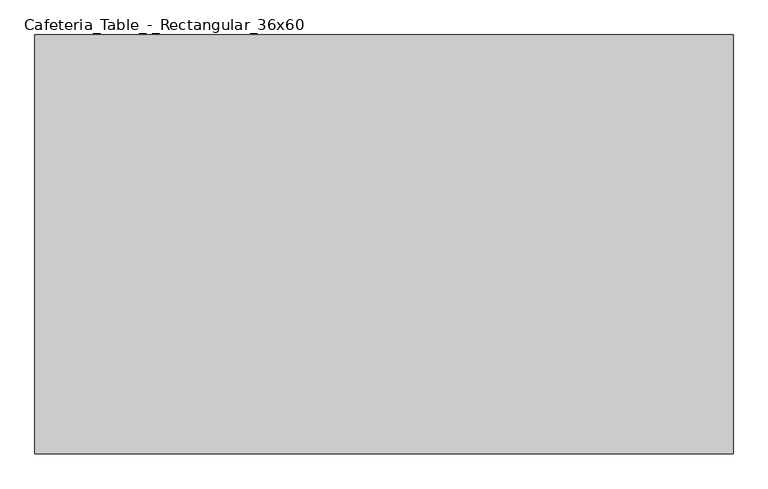
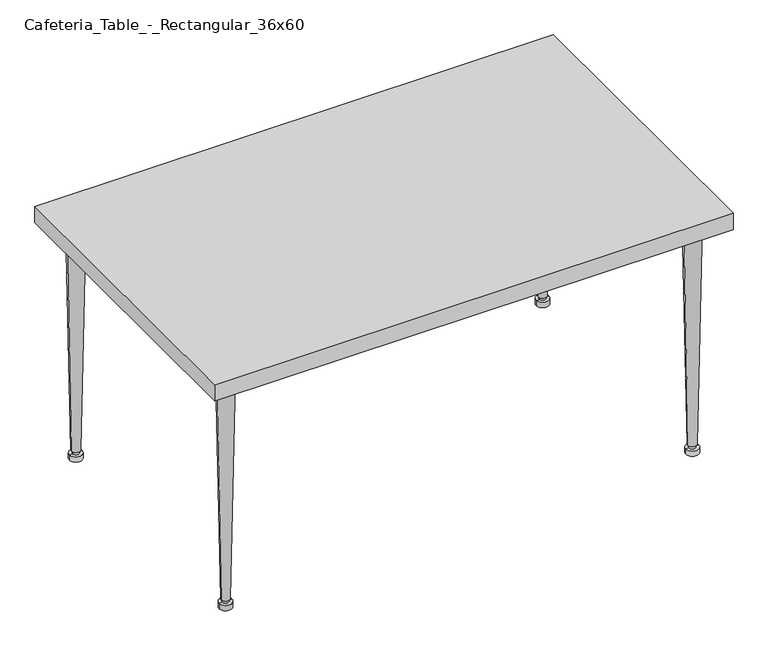
"""IFC4 building model written with IfcOpenShell, lengths in millimetres: furniture geometry, Cafeteria_Table_-_Rectangular_36x60."""

from ifc_helpers import new_model, si_unit, frame, origin, place, context, project, spatial, polyline, circle_curve, outline, extrude, source, transform, mapped, element, save
from ifc_brep_helpers import plane_surface, cylinder_surface, revolved_surface, advanced_brep


def cafeteria_table_rectangular_36x60_26ef1dd1(model_context):
    return source(origin(), model_context, "Body", "SolidModel", [
        advanced_brep(
        [(600.05468, -380.97968, 15.875), (619.10468, -380.97968, 15.875), (619.10468, -380.97968, 25.4), (600.05468, -380.97968, 25.4), (590.52968, -380.97968, 15.875), (628.62968, -380.97968, 15.875), (590.52968, -380.97968, 0.0), (628.62968, -380.97968, 0.0), (609.57968, -380.97968, 0.0), (609.57968, -380.97968, 25.4)],
        [
            (0, 1, circle_curve(frame((609.57968, -380.97968, 15.875), z_axis=(0.0, 0.0, 1.0), x_axis=(1.0, 0.0, 0.0)), 9.525)),
            (1, 2),
            (2, 3, circle_curve(frame((609.57968, -380.97968, 25.4), z_axis=(0.0, 0.0, -1.0), x_axis=(1.0, 0.0, 0.0)), 9.525)),
            (3, 0),
            (1, 0, circle_curve(frame((609.57968, -380.97968, 15.875), z_axis=(0.0, 0.0, 1.0), x_axis=(1.0, 0.0, 0.0)), 9.525)),
            (3, 2, circle_curve(frame((609.57968, -380.97968, 25.4), z_axis=(0.0, 0.0, -1.0), x_axis=(1.0, 0.0, 0.0)), 9.525)),
            (4, 5, circle_curve(frame((609.57968, -380.97968, 15.875), z_axis=(0.0, 0.0, 1.0), x_axis=(1.0, 0.0, 0.0)), 19.05)),
            (5, 1),
            (0, 4),
            (5, 4, circle_curve(frame((609.57968, -380.97968, 15.875), z_axis=(0.0, 0.0, 1.0), x_axis=(1.0, 0.0, 0.0)), 19.05)),
            (6, 7, circle_curve(frame((609.57968, -380.97968, 0.0), z_axis=(0.0, 0.0, 1.0), x_axis=(1.0, 0.0, 0.0)), 19.05)),
            (7, 5),
            (4, 6),
            (7, 6, circle_curve(frame((609.57968, -380.97968, 0.0), z_axis=(0.0, 0.0, 1.0), x_axis=(1.0, 0.0, 0.0)), 19.05)),
            (8, 7),
            (6, 8),
            (2, 9),
            (9, 3),
        ],
        [
            cylinder_surface(frame((609.57968, -380.97968, 25.4), z_axis=(0.0, 0.0, -1.0), x_axis=(1.0, 0.0, 0.0)), 9.525),
            plane_surface(frame((609.57968, -380.97968, 15.875), z_axis=(0.0, 0.0, 1.0), x_axis=(1.0, 0.0, 0.0))),
            cylinder_surface(frame((609.57968, -380.97968, 25.4), z_axis=(0.0, 0.0, -1.0), x_axis=(1.0, 0.0, 0.0)), 19.05),
            plane_surface(frame((609.57968, -380.97968, 0.0), z_axis=(0.0, 0.0, -1.0), x_axis=(1.0, 0.0, 0.0))),
            plane_surface(frame((609.57968, -380.97968, 25.4), z_axis=(0.0, 0.0, 1.0), x_axis=(1.0, 0.0, 0.0))),
        ],
        [
            (0, [[1, 2, 3, 4]]),
            (0, [[5, -4, 6, -2]]),
            (1, [[7, 8, -1, 9]]),
            (1, [[10, -9, -5, -8]]),
            (2, [[11, 12, -7, 13]]),
            (2, [[14, -13, -10, -12]]),
            (3, [[15, -11, 16]]),
            (3, [[-16, -14, -15]]),
            (4, [[-3, 17, 18]]),
            (4, [[-6, -18, -17]]),
        ],
    ),
        advanced_brep(
        [(-762.02032, -380.97968, 25.4), (-771.54532, -380.97968, 25.4), (-752.49532, -380.97968, 25.4), (-742.97032, -380.97968, 0.0), (-781.07032, -380.97968, 0.0), (-762.02032, -380.97968, 0.0), (-742.97032, -380.97968, 15.875), (-781.07032, -380.97968, 15.875), (-752.49532, -380.97968, 15.875), (-771.54532, -380.97968, 15.875)],
        [
            (0, 1),
            (1, 2, circle_curve(frame((-762.02032, -380.97968, 25.4), z_axis=(0.0, 0.0, 1.0), x_axis=(-1.0, 0.0, 0.0)), 9.525)),
            (2, 0),
            (2, 1, circle_curve(frame((-762.02032, -380.97968, 25.4), z_axis=(0.0, 0.0, 1.0), x_axis=(-1.0, 0.0, 0.0)), 9.525)),
            (3, 4, circle_curve(frame((-762.02032, -380.97968, 0.0), z_axis=(0.0, 0.0, -1.0), x_axis=(-1.0, 0.0, 0.0)), 19.05)),
            (4, 5),
            (5, 3),
            (4, 3, circle_curve(frame((-762.02032, -380.97968, 0.0), z_axis=(0.0, 0.0, -1.0), x_axis=(-1.0, 0.0, 0.0)), 19.05)),
            (6, 7, circle_curve(frame((-762.02032, -380.97968, 15.875), z_axis=(0.0, 0.0, -1.0), x_axis=(-1.0, 0.0, 0.0)), 19.05)),
            (7, 4),
            (3, 6),
            (7, 6, circle_curve(frame((-762.02032, -380.97968, 15.875), z_axis=(0.0, 0.0, -1.0), x_axis=(-1.0, 0.0, 0.0)), 19.05)),
            (8, 9, circle_curve(frame((-762.02032, -380.97968, 15.875), z_axis=(0.0, 0.0, -1.0), x_axis=(-1.0, 0.0, 0.0)), 9.525)),
            (9, 7),
            (6, 8),
            (9, 8, circle_curve(frame((-762.02032, -380.97968, 15.875), z_axis=(0.0, 0.0, -1.0), x_axis=(-1.0, 0.0, 0.0)), 9.525)),
            (1, 9),
            (8, 2),
        ],
        [
            plane_surface(frame((-762.02032, -380.97968, 25.4), z_axis=(0.0, 0.0, 1.0), x_axis=(-1.0, 0.0, 0.0))),
            plane_surface(frame((-762.02032, -380.97968, 0.0), z_axis=(0.0, 0.0, -1.0), x_axis=(-1.0, 0.0, 0.0))),
            cylinder_surface(frame((-762.02032, -380.97968, 25.4), z_axis=(0.0, 0.0, 1.0), x_axis=(-1.0, 0.0, 0.0)), 19.05),
            plane_surface(frame((-762.02032, -380.97968, 15.875), z_axis=(0.0, 0.0, 1.0), x_axis=(-1.0, 0.0, 0.0))),
            cylinder_surface(frame((-762.02032, -380.97968, 25.4), z_axis=(0.0, 0.0, 1.0), x_axis=(-1.0, 0.0, 0.0)), 9.525),
        ],
        [
            (0, [[1, 2, 3]]),
            (0, [[-3, 4, -1]]),
            (1, [[5, 6, 7]]),
            (1, [[8, -7, -6]]),
            (2, [[9, 10, -5, 11]]),
            (2, [[12, -11, -8, -10]]),
            (3, [[13, 14, -9, 15]]),
            (3, [[16, -15, -12, -14]]),
            (4, [[-2, 17, -13, 18]]),
            (4, [[-4, -18, -16, -17]]),
        ],
    ),
        advanced_brep(
        [(609.57968, 381.02032, 25.4), (619.10468, 381.02032, 25.4), (600.05468, 381.02032, 25.4), (590.52968, 381.02032, 0.0), (628.62968, 381.02032, 0.0), (609.57968, 381.02032, 0.0), (590.52968, 381.02032, 15.875), (628.62968, 381.02032, 15.875), (600.05468, 381.02032, 15.875), (619.10468, 381.02032, 15.875)],
        [
            (0, 1),
            (1, 2, circle_curve(frame((609.57968, 381.02032, 25.4), z_axis=(0.0, 0.0, 1.0), x_axis=(1.0, 0.0, 0.0)), 9.525)),
            (2, 0),
            (2, 1, circle_curve(frame((609.57968, 381.02032, 25.4), z_axis=(0.0, 0.0, 1.0), x_axis=(1.0, 0.0, 0.0)), 9.525)),
            (3, 4, circle_curve(frame((609.57968, 381.02032, 0.0), z_axis=(0.0, 0.0, -1.0), x_axis=(1.0, 0.0, 0.0)), 19.05)),
            (4, 5),
            (5, 3),
            (4, 3, circle_curve(frame((609.57968, 381.02032, 0.0), z_axis=(0.0, 0.0, -1.0), x_axis=(1.0, 0.0, 0.0)), 19.05)),
            (6, 7, circle_curve(frame((609.57968, 381.02032, 15.875), z_axis=(0.0, 0.0, -1.0), x_axis=(1.0, 0.0, 0.0)), 19.05)),
            (7, 4),
            (3, 6),
            (7, 6, circle_curve(frame((609.57968, 381.02032, 15.875), z_axis=(0.0, 0.0, -1.0), x_axis=(1.0, 0.0, 0.0)), 19.05)),
            (8, 9, circle_curve(frame((609.57968, 381.02032, 15.875), z_axis=(0.0, 0.0, -1.0), x_axis=(1.0, 0.0, 0.0)), 9.525)),
            (9, 7),
            (6, 8),
            (9, 8, circle_curve(frame((609.57968, 381.02032, 15.875), z_axis=(0.0, 0.0, -1.0), x_axis=(1.0, 0.0, 0.0)), 9.525)),
            (1, 9),
            (8, 2),
        ],
        [
            plane_surface(frame((609.57968, 381.02032, 25.4), z_axis=(0.0, 0.0, 1.0), x_axis=(1.0, 0.0, 0.0))),
            plane_surface(frame((609.57968, 381.02032, 0.0), z_axis=(0.0, 0.0, -1.0), x_axis=(1.0, 0.0, 0.0))),
            cylinder_surface(frame((609.57968, 381.02032, 25.4), z_axis=(0.0, 0.0, 1.0), x_axis=(1.0, 0.0, 0.0)), 19.05),
            plane_surface(frame((609.57968, 381.02032, 15.875), z_axis=(0.0, 0.0, 1.0), x_axis=(1.0, 0.0, 0.0))),
            cylinder_surface(frame((609.57968, 381.02032, 25.4), z_axis=(0.0, 0.0, 1.0), x_axis=(1.0, 0.0, 0.0)), 9.525),
        ],
        [
            (0, [[1, 2, 3]]),
            (0, [[-3, 4, -1]]),
            (1, [[5, 6, 7]]),
            (1, [[8, -7, -6]]),
            (2, [[9, 10, -5, 11]]),
            (2, [[12, -11, -8, -10]]),
            (3, [[13, 14, -9, 15]]),
            (3, [[16, -15, -12, -14]]),
            (4, [[-2, 17, -13, 18]]),
            (4, [[-4, -18, -16, -17]]),
        ],
    ),
        advanced_brep(
        [(-752.49532, 381.02032, 15.875), (-771.54532, 381.02032, 15.875), (-771.54532, 381.02032, 25.4), (-752.49532, 381.02032, 25.4), (-742.97032, 381.02032, 15.875), (-781.07032, 381.02032, 15.875), (-742.97032, 381.02032, 0.0), (-781.07032, 381.02032, 0.0), (-762.02032, 381.02032, 0.0), (-762.02032, 381.02032, 25.4)],
        [
            (0, 1, circle_curve(frame((-762.02032, 381.02032, 15.875), z_axis=(0.0, 0.0, 1.0), x_axis=(-1.0, 0.0, 0.0)), 9.525)),
            (1, 2),
            (2, 3, circle_curve(frame((-762.02032, 381.02032, 25.4), z_axis=(0.0, 0.0, -1.0), x_axis=(-1.0, 0.0, 0.0)), 9.525)),
            (3, 0),
            (1, 0, circle_curve(frame((-762.02032, 381.02032, 15.875), z_axis=(0.0, 0.0, 1.0), x_axis=(-1.0, 0.0, 0.0)), 9.525)),
            (3, 2, circle_curve(frame((-762.02032, 381.02032, 25.4), z_axis=(0.0, 0.0, -1.0), x_axis=(-1.0, 0.0, 0.0)), 9.525)),
            (4, 5, circle_curve(frame((-762.02032, 381.02032, 15.875), z_axis=(0.0, 0.0, 1.0), x_axis=(-1.0, 0.0, 0.0)), 19.05)),
            (5, 1),
            (0, 4),
            (5, 4, circle_curve(frame((-762.02032, 381.02032, 15.875), z_axis=(0.0, 0.0, 1.0), x_axis=(-1.0, 0.0, 0.0)), 19.05)),
            (6, 7, circle_curve(frame((-762.02032, 381.02032, 0.0), z_axis=(0.0, 0.0, 1.0), x_axis=(-1.0, 0.0, 0.0)), 19.05)),
            (7, 5),
            (4, 6),
            (7, 6, circle_curve(frame((-762.02032, 381.02032, 0.0), z_axis=(0.0, 0.0, 1.0), x_axis=(-1.0, 0.0, 0.0)), 19.05)),
            (8, 7),
            (6, 8),
            (2, 9),
            (9, 3),
        ],
        [
            cylinder_surface(frame((-762.02032, 381.02032, 25.4), z_axis=(0.0, 0.0, -1.0), x_axis=(-1.0, 0.0, 0.0)), 9.525),
            plane_surface(frame((-762.02032, 381.02032, 15.875), z_axis=(0.0, 0.0, 1.0), x_axis=(-1.0, 0.0, 0.0))),
            cylinder_surface(frame((-762.02032, 381.02032, 25.4), z_axis=(0.0, 0.0, -1.0), x_axis=(-1.0, 0.0, 0.0)), 19.05),
            plane_surface(frame((-762.02032, 381.02032, 0.0), z_axis=(0.0, 0.0, -1.0), x_axis=(-1.0, 0.0, 0.0))),
            plane_surface(frame((-762.02032, 381.02032, 25.4), z_axis=(0.0, 0.0, 1.0), x_axis=(-1.0, 0.0, 0.0))),
        ],
        [
            (0, [[1, 2, 3, 4]]),
            (0, [[5, -4, 6, -2]]),
            (1, [[7, 8, -1, 9]]),
            (1, [[10, -9, -5, -8]]),
            (2, [[11, 12, -7, 13]]),
            (2, [[14, -13, -10, -12]]),
            (3, [[15, -11, 16]]),
            (3, [[-16, -14, -15]]),
            (4, [[-3, 17, 18]]),
            (4, [[-6, -18, -17]]),
        ],
    ),
        advanced_brep(
        [(584.17968, -380.97968, 711.2), (634.97968, -380.97968, 711.2), (596.87968, -380.97968, 25.4), (622.27968, -380.97968, 25.4)],
        [
            (0, 1, circle_curve(frame((609.57968, -380.97968, 711.2), z_axis=(0.0, 0.0, 1.0), x_axis=(-1.0, 0.0, 0.0)), 25.4)),
            (1, 0, circle_curve(frame((609.57968, -380.97968, 711.2), z_axis=(0.0, 0.0, 1.0), x_axis=(1.0, 0.0, 0.0)), 25.4)),
            (2, 3, circle_curve(frame((609.57968, -380.97968, 25.4), z_axis=(0.0, 0.0, -1.0), x_axis=(1.0, 0.0, 0.0)), 12.7)),
            (3, 2, circle_curve(frame((609.57968, -380.97968, 25.4), z_axis=(0.0, 0.0, -1.0), x_axis=(-1.0, 0.0, 0.0)), 12.7)),
            (3, 1),
            (0, 2),
        ],
        [
            plane_surface(frame((609.57968, -380.97968, 711.2), z_axis=(0.0, 0.0, 1.0), x_axis=(0.0, -1.0, 0.0))),
            plane_surface(frame((609.57968, -380.97968, 25.4), z_axis=(0.0, 0.0, -1.0), x_axis=(0.0, -1.0, 0.0))),
            revolved_surface(polyline([(622.2796800000001, -380.97968, 25.399999999999977), (634.97968, -380.97968, 711.1999999999999)]), (609.57968, -380.97968, -660.4), (0.0, 0.0, 1.0)),
            revolved_surface(polyline([(596.87968, -380.97968, 25.399999999999977), (584.17968, -380.97968, 711.1999999999999)]), (609.57968, -380.97968, -660.4), (0.0, 0.0, 1.0)),
        ],
        [
            (0, [[1, 2]]),
            (1, [[3, 4]]),
            (2, [[-4, 5, -1, 6]]),
            (3, [[-3, -6, -2, -5]]),
        ],
    ),
        advanced_brep(
        [(-736.62032, -380.97968, 711.2), (-787.42032, -380.97968, 711.2), (-749.32032, -380.97968, 25.4), (-774.72032, -380.97968, 25.4)],
        [
            (0, 1, circle_curve(frame((-762.02032, -380.97968, 711.2), z_axis=(0.0, 0.0, 1.0), x_axis=(1.0, 0.0, 0.0)), 25.4)),
            (1, 0, circle_curve(frame((-762.02032, -380.97968, 711.2), z_axis=(0.0, 0.0, 1.0), x_axis=(-1.0, 0.0, 0.0)), 25.4)),
            (2, 3, circle_curve(frame((-762.02032, -380.97968, 25.4), z_axis=(0.0, 0.0, -1.0), x_axis=(-1.0, 0.0, 0.0)), 12.7)),
            (3, 2, circle_curve(frame((-762.02032, -380.97968, 25.4), z_axis=(0.0, 0.0, -1.0), x_axis=(1.0, 0.0, 0.0)), 12.7)),
            (3, 1),
            (0, 2),
        ],
        [
            plane_surface(frame((-762.02032, -380.97968, 711.2), z_axis=(0.0, 0.0, 1.0), x_axis=(0.0, 1.0, 0.0))),
            plane_surface(frame((-762.02032, -380.97968, 25.4), z_axis=(0.0, 0.0, -1.0), x_axis=(0.0, 1.0, 0.0))),
            revolved_surface(polyline([(-774.7203199999999, -380.97968, 25.399999999999977), (-787.42032, -380.97968, 711.1999999999999)]), (-762.02032, -380.97968, -660.4), (0.0, 0.0, 1.0)),
            revolved_surface(polyline([(-749.32032, -380.97968, 25.399999999999977), (-736.62032, -380.97968, 711.1999999999999)]), (-762.02032, -380.97968, -660.4), (0.0, 0.0, 1.0)),
        ],
        [
            (0, [[1, 2]]),
            (1, [[3, 4]]),
            (2, [[-4, 5, -1, 6]]),
            (3, [[-3, -6, -2, -5]]),
        ],
    ),
        advanced_brep(
        [(584.17968, 381.02032, 711.2), (634.97968, 381.02032, 711.2), (596.87968, 381.02032, 25.4), (622.27968, 381.02032, 25.4)],
        [
            (0, 1, circle_curve(frame((609.57968, 381.02032, 711.2), z_axis=(0.0, 0.0, 1.0), x_axis=(-1.0, 0.0, 0.0)), 25.4)),
            (1, 0, circle_curve(frame((609.57968, 381.02032, 711.2), z_axis=(0.0, 0.0, 1.0), x_axis=(1.0, 0.0, 0.0)), 25.4)),
            (2, 3, circle_curve(frame((609.57968, 381.02032, 25.4), z_axis=(0.0, 0.0, -1.0), x_axis=(1.0, 0.0, 0.0)), 12.7)),
            (3, 2, circle_curve(frame((609.57968, 381.02032, 25.4), z_axis=(0.0, 0.0, -1.0), x_axis=(-1.0, 0.0, 0.0)), 12.7)),
            (3, 1),
            (0, 2),
        ],
        [
            plane_surface(frame((609.57968, 381.02032, 711.2), z_axis=(0.0, 0.0, 1.0), x_axis=(0.0, -1.0, 0.0))),
            plane_surface(frame((609.57968, 381.02032, 25.4), z_axis=(0.0, 0.0, -1.0), x_axis=(0.0, -1.0, 0.0))),
            revolved_surface(polyline([(622.2796800000001, 381.02032, 25.399999999999977), (634.97968, 381.02032, 711.1999999999999)]), (609.57968, 381.02032, -660.4), (0.0, 0.0, 1.0)),
            revolved_surface(polyline([(596.87968, 381.02032, 25.399999999999977), (584.17968, 381.02032, 711.1999999999999)]), (609.57968, 381.02032, -660.4), (0.0, 0.0, 1.0)),
        ],
        [
            (0, [[1, 2]]),
            (1, [[3, 4]]),
            (2, [[-4, 5, -1, 6]]),
            (3, [[-3, -6, -2, -5]]),
        ],
    ),
        advanced_brep(
        [(-736.62032, 381.02032, 711.2), (-787.42032, 381.02032, 711.2), (-749.32032, 381.02032, 25.4), (-774.72032, 381.02032, 25.4)],
        [
            (0, 1, circle_curve(frame((-762.02032, 381.02032, 711.2), z_axis=(0.0, 0.0, 1.0), x_axis=(1.0, 0.0, 0.0)), 25.4)),
            (1, 0, circle_curve(frame((-762.02032, 381.02032, 711.2), z_axis=(0.0, 0.0, 1.0), x_axis=(-1.0, 0.0, 0.0)), 25.4)),
            (2, 3, circle_curve(frame((-762.02032, 381.02032, 25.4), z_axis=(0.0, 0.0, -1.0), x_axis=(-1.0, 0.0, 0.0)), 12.7)),
            (3, 2, circle_curve(frame((-762.02032, 381.02032, 25.4), z_axis=(0.0, 0.0, -1.0), x_axis=(1.0, 0.0, 0.0)), 12.7)),
            (3, 1),
            (0, 2),
        ],
        [
            plane_surface(frame((-762.02032, 381.02032, 711.2), z_axis=(0.0, 0.0, 1.0), x_axis=(0.0, 1.0, 0.0))),
            plane_surface(frame((-762.02032, 381.02032, 25.4), z_axis=(0.0, 0.0, -1.0), x_axis=(0.0, 1.0, 0.0))),
            revolved_surface(polyline([(-774.7203199999999, 381.02032, 25.399999999999977), (-787.42032, 381.02032, 711.1999999999999)]), (-762.02032, 381.02032, -660.4), (0.0, 0.0, 1.0)),
            revolved_surface(polyline([(-749.32032, 381.02032, 25.399999999999977), (-736.62032, 381.02032, 711.1999999999999)]), (-762.02032, 381.02032, -660.4), (0.0, 0.0, 1.0)),
        ],
        [
            (0, [[1, 2]]),
            (1, [[3, 4]]),
            (2, [[-4, 5, -1, 6]]),
            (3, [[-3, -6, -2, -5]]),
        ],
    ),
        extrude(outline(polyline([(685.77968, 457.22032), (685.77968, -457.17968), (-838.22032, -457.17968), (-838.22032, 457.22032), (685.77968, 457.22032)])), frame((0.0, 0.0, 711.2), z_axis=(0.0, 0.0, 1.0), x_axis=(1.0, 0.0, 0.0)), (0.0, 0.0, 1.0), 50.8),
    ])


if __name__ == "__main__":
    model = new_model("IFC4")
    model_context = context("Model", 3, world=origin())
    ifc_project = project(units=[si_unit("LENGTHUNIT", "METRE", prefix="MILLI")], contexts=[model_context])
    site = spatial("IfcSite", under=ifc_project)
    building = spatial("IfcBuilding", under=site)
    placement = place(None, origin())
    cafeteria_table_rectangular_36x60_shape = cafeteria_table_rectangular_36x60_26ef1dd1(model_context)
    element("IfcFurniture", 1, ObjectType="Cafeteria_Table_-_Rectangular_36x60", at=placement, inside=building, context=model_context, shape_type="MappedRepresentation", body=[
        mapped(cafeteria_table_rectangular_36x60_shape, transform((0.0, 0.0, 0.0), x_axis=(1.0, 0.0, 0.0), y_axis=(0.0, 1.0, 0.0), z_axis=(0.0, 0.0, 1.0))),
    ])
    save(model, "model.ifc")
